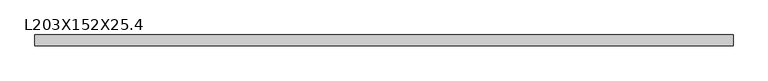
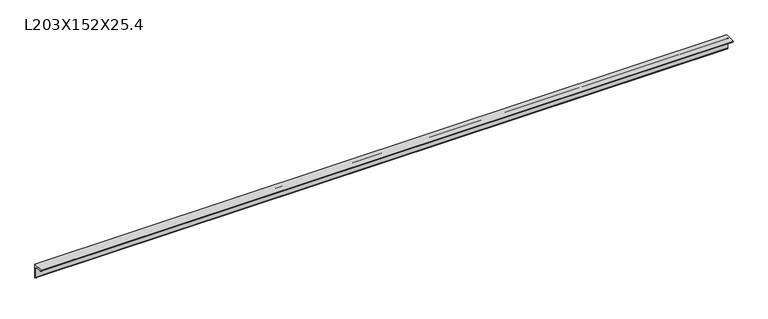
"""IFC4 building model written with IfcOpenShell, lengths in millimetres: beam geometry, L203X152X25.4."""

from ifc_helpers import new_model, si_unit, point, frame, frame_2d, origin, place, context, project, spatial, polyline, circle_curve, trimmed, segment, composite_curve, outline, extrude, source, transform, mapped, element, save


def l203x152x25_4_ab862e4f(model_context):
    return source(origin(), model_context, "Body", "SweptSolid", [
        extrude(outline(composite_curve([segment(polyline([(41.9, 67.2), (41.9, -135.8)]), True, "CONTINUOUS"), segment(trimmed(circle_curve(frame_2d((41.9, -110.4)), 25.4), [point((41.9, -135.8))], [point((16.5, -110.4))], False, "CARTESIAN"), True, "CONTINUOUS"), segment(polyline([(16.5, -110.4), (16.5, 16.4)]), True, "CONTINUOUS"), segment(trimmed(circle_curve(frame_2d((-8.9, 16.4)), 25.4), [point((16.5, 16.4))], [point((-8.9, 41.8))], True, "CARTESIAN"), True, "CONTINUOUS"), segment(polyline([(-8.9, 41.8), (-84.7, 41.8)]), True, "CONTINUOUS"), segment(trimmed(circle_curve(frame_2d((-84.7, 67.2)), 25.4), [point((-84.7, 41.8))], [point((-110.1, 67.2))], False, "CARTESIAN"), True, "CONTINUOUS"), segment(polyline([(-110.1, 67.2), (41.9, 67.2)]), True, "CONTINUOUS")], self_intersect=False)), frame((-4876.8, 0.0, 0.0), z_axis=(1.0, 0.0, 0.0), x_axis=(0.0, 1.0, 0.0)), (0.0, 0.0, 1.0), 9753.6),
    ])


if __name__ == "__main__":
    model = new_model("IFC4")
    model_context = context("Model", 3, world=origin())
    ifc_project = project(units=[si_unit("LENGTHUNIT", "METRE", prefix="MILLI")], contexts=[model_context])
    site = spatial("IfcSite", under=ifc_project)
    building = spatial("IfcBuilding", under=site)
    placement = place(None, origin())
    l203x152x25_4_shape = l203x152x25_4_ab862e4f(model_context)
    element("IfcBeam", 1, ObjectType="L203X152X25.4", at=placement, inside=building, context=model_context, shape_type="MappedRepresentation", body=[
        mapped(l203x152x25_4_shape, transform((0.0, 0.0, 0.0), x_axis=(1.0, 0.0, 0.0), y_axis=(0.0, 1.0, 0.0), z_axis=(0.0, 0.0, 1.0))),
    ])
    save(model, "model.ifc")
